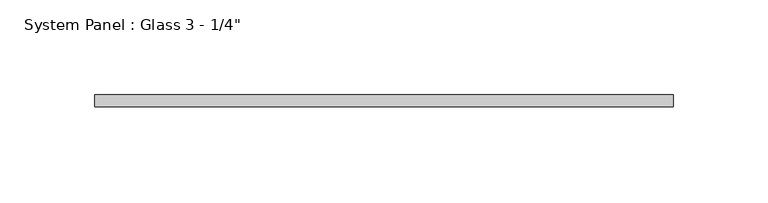
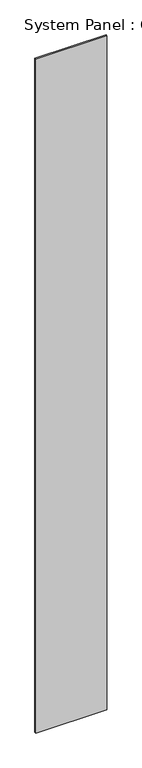
"""IFC4 building model written with IfcOpenShell, lengths in millimetres: plate geometry."""

from ifc_helpers import new_model, si_unit, origin, origin_with_axes, place, context, project, spatial, polyline, outline, extrude, source, transform, mapped, element, save


def plate_c631ce22(model_context):
    return source(origin(), model_context, "Body", "SweptSolid", [
        extrude(outline(polyline([(152.3321509, 0.0), (-152.3321509, 0.0), (-152.3321509, 6.35), (152.3321509, 6.35), (152.3321509, 0.0)])), origin_with_axes(), (0.0, 0.0, 1.0), 3048.0),
    ])


if __name__ == "__main__":
    model = new_model("IFC4")
    model_context = context("Model", 3, world=origin())
    ifc_project = project(units=[si_unit("LENGTHUNIT", "METRE", prefix="MILLI")], contexts=[model_context])
    site = spatial("IfcSite", under=ifc_project)
    building = spatial("IfcBuilding", under=site)
    placement = place(None, origin())
    plate_shape = plate_c631ce22(model_context)
    element("IfcPlate", 1, ObjectType="System Panel : Glass 3 - 1/4\"", at=placement, inside=building, context=model_context, shape_type="MappedRepresentation", body=[
        mapped(plate_shape, transform((0.0, 0.0, 0.0), x_axis=(1.0, 0.0, 0.0), y_axis=(0.0, 1.0, 0.0), z_axis=(0.0, 0.0, 1.0))),
    ])
    save(model, "model.ifc")
